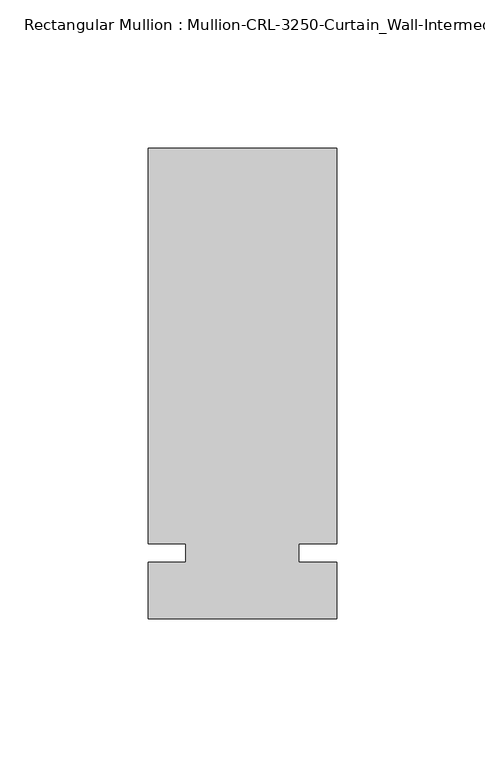
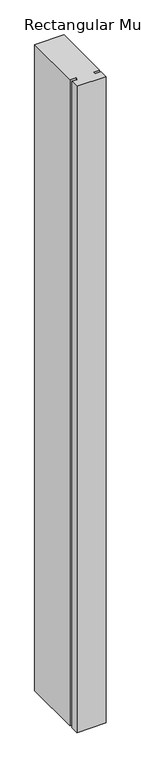
"""IFC4 building model written with IfcOpenShell, lengths in millimetres: member geometry."""

from ifc_helpers import new_model, si_unit, frame, origin, place, context, project, spatial, polyline, outline, extrude, source, transform, mapped, element, save


def member_bd7ba969(model_context):
    return source(origin(), model_context, "Body", "SweptSolid", [
        extrude(outline(polyline([(31.7499985, -3.175), (31.7499985, -22.2254168), (-31.7499985, -22.2254168), (-31.7499985, -3.175), (-19.0499985, -3.175), (-19.0499985, 3.175), (-31.7499985, 3.175), (-31.7499985, 136.5246049), (31.7499985, 136.5246049), (31.7499985, 3.175), (19.0499985, 3.175), (19.0499985, -3.175), (31.7499985, -3.175)])), frame((0.0, 0.0, -1485.9), z_axis=(0.0, 0.0, 1.0), x_axis=(1.0, 0.0, 0.0)), (0.0, 0.0, 1.0), 1485.9),
    ])


if __name__ == "__main__":
    model = new_model("IFC4")
    model_context = context("Model", 3, world=origin())
    ifc_project = project(units=[si_unit("LENGTHUNIT", "METRE", prefix="MILLI")], contexts=[model_context])
    site = spatial("IfcSite", under=ifc_project)
    building = spatial("IfcBuilding", under=site)
    placement = place(None, origin())
    member_shape = member_bd7ba969(model_context)
    element("IfcMember", 1, ObjectType="Rectangular Mullion : Mullion-CRL-3250-Curtain_Wall-Intermediate_Vertical-5\"", at=placement, inside=building, context=model_context, shape_type="MappedRepresentation", body=[
        mapped(member_shape, transform((0.0, 0.0, 0.0), x_axis=(1.0, 0.0, 0.0), y_axis=(0.0, 1.0, 0.0), z_axis=(0.0, 0.0, 1.0))),
    ])
    save(model, "model.ifc")
